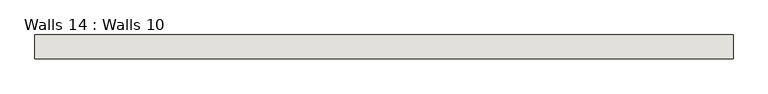
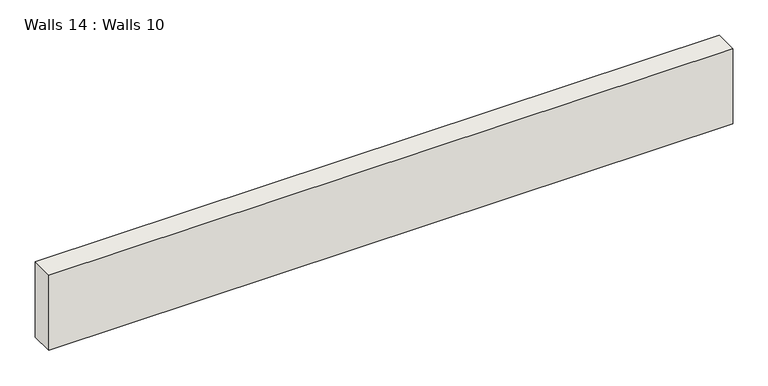
"""IFC4 building model written with IfcOpenShell, lengths in millimetres: wall geometry, Walls 14 : Walls 10."""

from ifc_helpers import new_model, si_unit, frame, origin, place, context, project, spatial, polyline, outline, extrude, source, transform, mapped, element, save


def walls_14_walls_10_bab0dc3d(model_context):
    return source(origin(), model_context, "Body", "SweptSolid", [
        extrude(outline(polyline([(-9334.9324444, 39317.2245636), (-8214.8335182, 39317.2245636), (-8214.8335182, 39279.1245636), (-9334.9324444, 39279.1245636), (-9334.9324444, 39317.2245636)])), frame((0.0, 0.0, -5898.47885), z_axis=(0.0, 0.0, 1.0), x_axis=(1.0, 0.0, 0.0)), (0.0, 0.0, 1.0), 130.2234553),
    ])


if __name__ == "__main__":
    model = new_model("IFC4")
    model_context = context("Model", 3, world=origin())
    ifc_project = project(units=[si_unit("LENGTHUNIT", "METRE", prefix="MILLI")], contexts=[model_context])
    site = spatial("IfcSite", under=ifc_project)
    building = spatial("IfcBuilding", under=site)
    placement = place(None, origin())
    walls_14_walls_10_shape = walls_14_walls_10_bab0dc3d(model_context)
    element("IfcWall", 1, ObjectType="Walls 14 : Walls 10", at=placement, inside=building, context=model_context, shape_type="MappedRepresentation", body=[
        mapped(walls_14_walls_10_shape, transform((0.0, 0.0, 0.0), x_axis=(1.0, 0.0, 0.0), y_axis=(0.0, 1.0, 0.0), z_axis=(0.0, 0.0, 1.0))),
    ])
    save(model, "model.ifc")
